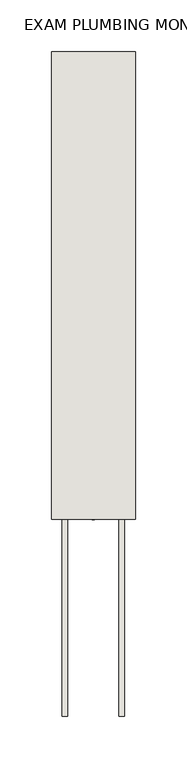
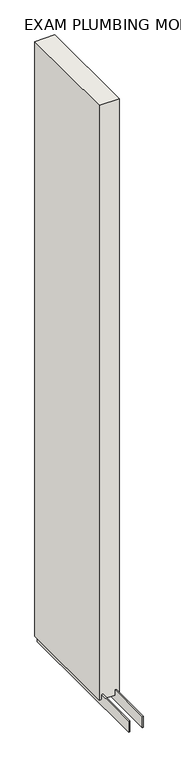
"""IFC4 building model written with IfcOpenShell, lengths in millimetres: wall geometry, EXAM PLUMBING MONO 2 478601 : EXAM PLUMBING MONO 2 478601."""

import ifcopenshell
import ifcopenshell.guid

model = None  # the IFC model being written
_history = None  # IfcOwnerHistory: only IFC2X3 demands one
_inside = {}  # id of a spatial element -> (the spatial element, [elements in it])
_under = {}  # id of a project, library or spatial element -> (it, [spatial elements below it])
_declared = {}  # id of a project -> (the project, [libraries it declares])
_typed = {}  # id of a type object -> (the type object, [elements of that type])
_made_of = {}  # id of a material, layer set ... -> (it, [elements and type objects made of it])


def new_model(schema):
    """Start an empty IFC model of exactly this schema.

    Asked for "IFC4X3", IfcOpenShell would pick the latest addendum, in which some entities
    have other attributes; the version numbers below select the first issue.
    IFC2X3 requires an IfcOwnerHistory on every rooted entity: one is made here for all.
    """
    global model, _history
    if schema == "IFC4X3":
        model = ifcopenshell.file(schema_version=(4, 3, 0, 0))
    else:
        model = ifcopenshell.file(schema=schema)
    _inside.clear()
    _under.clear()
    _declared.clear()
    _typed.clear()
    _made_of.clear()
    _history = None
    if model.schema == "IFC2X3":
        org = make("IfcOrganization", Name="unknown")
        user = make(
            "IfcPersonAndOrganization",
            ThePerson=make("IfcPerson", FamilyName="unknown"),
            TheOrganization=org,
        )
        app = make(
            "IfcApplication",
            ApplicationDeveloper=org,
            Version="unknown",
            ApplicationFullName="unknown",
            ApplicationIdentifier="unknown",
        )
        _history = make(
            "IfcOwnerHistory",
            OwningUser=user,
            OwningApplication=app,
            ChangeAction="ADDED",
            CreationDate=0,
        )
    return model


def make(cls, **values):
    """One entity of the class cls with the attributes given. An attribute that is None is left unset."""
    return model.create_entity(
        cls, **{name: value for name, value in values.items() if value is not None}
    )


def rooted(cls, **values):
    """An entity with a GlobalId (a new one), such as an element, a storey or a relation."""
    return make(cls, GlobalId=ifcopenshell.guid.new(), OwnerHistory=_history, **values)


def si_unit(unit_type, name, prefix=None):
    """IfcSIUnit, for example si_unit("LENGTHUNIT", "METRE", prefix="MILLI")."""
    return make("IfcSIUnit", UnitType=unit_type, Prefix=prefix, Name=name)


def assignment(units):
    """IfcUnitAssignment: the units of a project."""
    return None if units is None else make("IfcUnitAssignment", Units=units)


def point(xyz):
    """IfcCartesianPoint."""
    return None if xyz is None else make("IfcCartesianPoint", Coordinates=xyz)


def direction(xyz):
    """IfcDirection."""
    return None if xyz is None else make("IfcDirection", DirectionRatios=xyz)


def frame(location, z_axis=None, x_axis=None):
    """IfcAxis2Placement3D, a coordinate frame: its origin and axes. An axis left out is left unset."""
    return make(
        "IfcAxis2Placement3D",
        Location=point(location),
        Axis=direction(z_axis),
        RefDirection=direction(x_axis),
    )


def origin():
    """The frame at (0, 0, 0) with its axes left unset."""
    return frame((0.0, 0.0, 0.0))


def place(relative_to, where):
    """IfcLocalPlacement: puts the frame where relative to a parent placement (None: the world)."""
    return make(
        "IfcLocalPlacement", PlacementRelTo=relative_to, RelativePlacement=where
    )


def context(
    kind, dimensions, precision=None, world=None, true_north=None, identifier=None
):
    """IfcGeometricRepresentationContext, for example the 3D "Model" context."""
    return make(
        "IfcGeometricRepresentationContext",
        ContextIdentifier=identifier,
        ContextType=kind,
        CoordinateSpaceDimension=dimensions,
        Precision=precision,
        WorldCoordinateSystem=world,
        TrueNorth=true_north,
    )


def project(units=None, contexts=None):
    """IfcProject with its units and contexts."""
    return rooted(
        "IfcProject",
        Name="project",
        RepresentationContexts=contexts,
        UnitsInContext=assignment(units),
    )


def spatial(cls, under=None, at=None, **own):
    """A site, building, storey or space (cls), placed at a placement, below another one or the project."""
    s = rooted(cls, ObjectPlacement=at, **own)
    if under is not None:
        _under.setdefault(under.id(), (under, []))[1].append(s)
    return s


def polyline(points):
    """IfcPolyline through the points."""
    return make("IfcPolyline", Points=[point(p) for p in points])


def outline(outer, holes=None, kind="AREA"):
    """IfcArbitraryClosedProfileDef: a profile drawn as a closed curve; with holes, ...WithVoids."""
    if holes is None:
        return make("IfcArbitraryClosedProfileDef", ProfileType=kind, OuterCurve=outer)
    return make(
        "IfcArbitraryProfileDefWithVoids",
        ProfileType=kind,
        OuterCurve=outer,
        InnerCurves=holes,
    )


def extrude(swept, where, along, depth):
    """IfcExtrudedAreaSolid: the profile swept, set in the frame where, extruded along a direction by depth."""
    return make(
        "IfcExtrudedAreaSolid",
        SweptArea=swept,
        Position=where,
        ExtrudedDirection=direction(along),
        Depth=depth,
    )


def shape(context_of_items, identifier, shape_type, items):
    """IfcShapeRepresentation: the items that make up one representation, for example the "Body"."""
    return make(
        "IfcShapeRepresentation",
        ContextOfItems=context_of_items,
        RepresentationIdentifier=identifier,
        RepresentationType=shape_type,
        Items=items,
    )


def source(mapping_origin, context_of_items, identifier, shape_type, items):
    """IfcRepresentationMap: a shape defined once, which mapped items show again and again."""
    return make(
        "IfcRepresentationMap",
        MappingOrigin=mapping_origin,
        MappedRepresentation=shape(context_of_items, identifier, shape_type, items),
    )


def transform(
    local_origin,
    x_axis=None,
    y_axis=None,
    z_axis=None,
    scale=None,
    scale2=None,
    scale3=None,
    uniform=True,
):
    """IfcCartesianTransformationOperator3D, or its non-uniform kind. x_axis, y_axis, z_axis: its Axis1, 2, 3."""
    if uniform:
        return make(
            "IfcCartesianTransformationOperator3D",
            Axis1=direction(x_axis),
            Axis2=direction(y_axis),
            LocalOrigin=point(local_origin),
            Scale=scale,
            Axis3=direction(z_axis),
        )
    return make(
        "IfcCartesianTransformationOperator3DnonUniform",
        Axis1=direction(x_axis),
        Axis2=direction(y_axis),
        LocalOrigin=point(local_origin),
        Scale=scale,
        Axis3=direction(z_axis),
        Scale2=scale2,
        Scale3=scale3,
    )


def mapped(mapping_source, mapping_target):
    """IfcMappedItem: shows the shape of a source again, moved by a transform."""
    return make(
        "IfcMappedItem", MappingSource=mapping_source, MappingTarget=mapping_target
    )


def made_of(thing, what):
    """Note that an element or type object is made of a material, layer set ...; save() writes the relation."""
    if what is not None:
        _made_of.setdefault(what.id(), (what, []))[1].append(thing)
    return thing


def element(
    cls,
    number,
    at=None,
    inside=None,
    cuts=None,
    type_object=None,
    material=None,
    context=None,
    identifier="Body",
    shape_type=None,
    held_by="IfcProductDefinitionShape",
    body=None,
    shapes=None,
    **own,
):
    """One element of the class cls, such as IfcWall. Its Tag is "e" and its number.

    at: its placement. inside: the storey or other place that contains it. cuts: it is an
    opening in that element (IfcRelVoidsElement). A single representation is given by context,
    identifier, shape_type and body (its items); several are given by shapes. held_by: the class
    of the entity that holds the representations. save() writes the other relations.
    """
    e = rooted(cls, Tag="e%d" % number, ObjectPlacement=at, **own)
    if body is not None:
        shapes = [shape(context, identifier, shape_type, body)]
    if shapes is not None:
        e.Representation = make(held_by, Representations=shapes)
    if inside is not None:
        _inside.setdefault(inside.id(), (inside, []))[1].append(e)
    if cuts is not None:
        rooted(
            "IfcRelVoidsElement", RelatingBuildingElement=cuts, RelatedOpeningElement=e
        )
    if type_object is not None:
        _typed.setdefault(type_object.id(), (type_object, []))[1].append(e)
    return made_of(e, material)


def aggregate(whole, parts):
    """IfcRelAggregates: a whole, such as a stair, and the parts it consists of."""
    return rooted("IfcRelAggregates", RelatingObject=whole, RelatedObjects=parts)


def save(model, path):
    """Write the relations noted so far, then the file.

    IfcRelAggregates (storeys below a building ...), IfcRelContainedInSpatialStructure (elements
    in a storey), IfcRelDefinesByType, IfcRelAssociatesMaterial and IfcRelDeclares: one each for
    every whole, place, type object, material and project.
    """
    for whole, parts in _under.values():
        aggregate(whole, parts)
    for where, things in _inside.values():
        rooted(
            "IfcRelContainedInSpatialStructure",
            RelatedElements=things,
            RelatingStructure=where,
        )
    for kind, things in _typed.values():
        rooted("IfcRelDefinesByType", RelatedObjects=things, RelatingType=kind)
    for what, things in _made_of.values():
        rooted("IfcRelAssociatesMaterial", RelatedObjects=things, RelatingMaterial=what)
    for by, libraries in _declared.values():
        rooted("IfcRelDeclares", RelatingContext=by, RelatedDefinitions=libraries)
    model.write(path)


def exam_plumbing_mono_2_478601_exam_plumbing_mono_2_478601_e56016f5(model_context):
    return source(origin(), model_context, "Body", "SweptSolid", [
        extrude(outline(polyline([(57408.482211, -50962.2363024), (57408.482211, -50964.7763024), (57405.942211, -50964.7763024), (57405.942211, -50962.2363024), (57408.482211, -50962.2363024)])), frame((0.0, 0.0, 4419.6), z_axis=(0.0, 0.0, 1.0), x_axis=(1.0, 0.0, 0.0)), (0.0, 0.0, 1.0), 2.54),
        extrude(outline(polyline([(57382.1284664, -50511.7850316), (57382.1284664, -51155.2713494), (57377.049711, -51155.2713494), (57377.049711, -50511.7850316), (57382.1284664, -50511.7850316)])), frame((0.0, 0.0, 4418.6602), z_axis=(0.0, 0.0, 1.0), x_axis=(1.0, 0.0, 0.0)), (0.0, 0.0, 1.0), 47.625),
        extrude(outline(polyline([(57382.1284664, -50511.7850316), (57382.1284664, -51155.2713494), (57377.049711, -51155.2713494), (57377.049711, -50511.7850316), (57382.1284664, -50511.7850316)])), frame((0.0, 0.0, 4418.6602), z_axis=(0.0, 0.0, 1.0), x_axis=(1.0, 0.0, 0.0)), (0.0, 0.0, 1.0), 47.625),
        extrude(outline(polyline([(57432.2959556, -51155.2713494), (57432.2959556, -50511.7850316), (57437.374711, -50511.7850316), (57437.374711, -51155.2713494), (57432.2959556, -51155.2713494)])), frame((0.0, 0.0, 4418.6602), z_axis=(0.0, 0.0, 1.0), x_axis=(1.0, 0.0, 0.0)), (0.0, 0.0, 1.0), 47.625),
        extrude(outline(polyline([(57432.2959556, -51155.2713494), (57432.2959556, -50511.7850316), (57437.374711, -50511.7850316), (57437.374711, -51155.2713494), (57432.2959556, -51155.2713494)])), frame((0.0, 0.0, 4418.6602), z_axis=(0.0, 0.0, 1.0), x_axis=(1.0, 0.0, 0.0)), (0.0, 0.0, 1.0), 47.625),
        extrude(outline(polyline([(57366.5573266, -50511.7850316), (57447.8670954, -50511.7850316), (57447.8670954, -50964.7713494), (57366.5573266, -50964.7713494), (57366.5573266, -50511.7850316)])), frame((0.0, 0.0, 4445.0), z_axis=(0.0, 0.0, 1.0), x_axis=(1.0, 0.0, 0.0)), (0.0, 0.0, 1.0), 2562.4536762),
    ])


if __name__ == "__main__":
    model = new_model("IFC4")
    model_context = context("Model", 3, world=origin())
    ifc_project = project(units=[si_unit("LENGTHUNIT", "METRE", prefix="MILLI")], contexts=[model_context])
    site = spatial("IfcSite", under=ifc_project)
    building = spatial("IfcBuilding", under=site)
    placement = place(None, origin())
    exam_plumbing_mono_2_478601_exam_plumbing_mono_2_478601_shape = exam_plumbing_mono_2_478601_exam_plumbing_mono_2_478601_e56016f5(model_context)
    element("IfcWall", 1, ObjectType="EXAM PLUMBING MONO 2 478601 : EXAM PLUMBING MONO 2 478601", at=placement, inside=building, context=model_context, shape_type="MappedRepresentation", body=[
        mapped(exam_plumbing_mono_2_478601_exam_plumbing_mono_2_478601_shape, transform((0.0, 0.0, 0.0), x_axis=(1.0, 0.0, 0.0), y_axis=(0.0, 1.0, 0.0), z_axis=(0.0, 0.0, 1.0))),
    ])
    save(model, "model.ifc")
